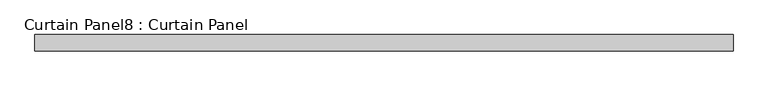
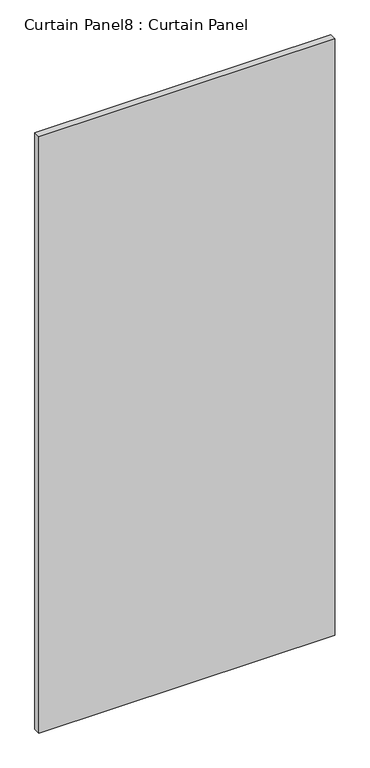
"""IFC4 building model written with IfcOpenShell, lengths in millimetres: plate geometry, Curtain Panel8 : Curtain Panel."""

from ifc_helpers import new_model, si_unit, frame, origin, place, context, project, spatial, polyline, outline, extrude, source, transform, mapped, element, save


def curtain_panel8_curtain_panel_3f4de14d(model_context):
    return source(origin(), model_context, "Body", "SweptSolid", [
        extrude(outline(polyline([(-289717.5524652, 3163.0425864), (-290816.1024652, 3163.0425864), (-290816.1024652, 3188.4425864), (-289717.5524652, 3188.4425864), (-289717.5524652, 3163.0425864)])), frame((0.0, 0.0, -3576.637373), z_axis=(0.0, 0.0, 1.0), x_axis=(1.0, 0.0, 0.0)), (0.0, 0.0, 1.0), 2339.974873),
    ])


if __name__ == "__main__":
    model = new_model("IFC4")
    model_context = context("Model", 3, world=origin())
    ifc_project = project(units=[si_unit("LENGTHUNIT", "METRE", prefix="MILLI")], contexts=[model_context])
    site = spatial("IfcSite", under=ifc_project)
    building = spatial("IfcBuilding", under=site)
    placement = place(None, origin())
    curtain_panel8_curtain_panel_shape = curtain_panel8_curtain_panel_3f4de14d(model_context)
    element("IfcPlate", 1, ObjectType="Curtain Panel8 : Curtain Panel", at=placement, inside=building, context=model_context, shape_type="MappedRepresentation", body=[
        mapped(curtain_panel8_curtain_panel_shape, transform((0.0, 0.0, 0.0), x_axis=(1.0, 0.0, 0.0), y_axis=(0.0, 1.0, 0.0), z_axis=(0.0, 0.0, 1.0))),
    ])
    save(model, "model.ifc")
